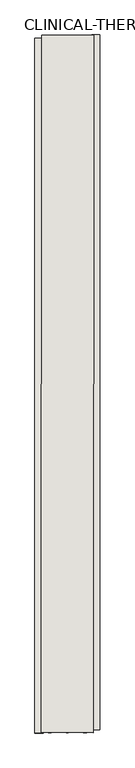
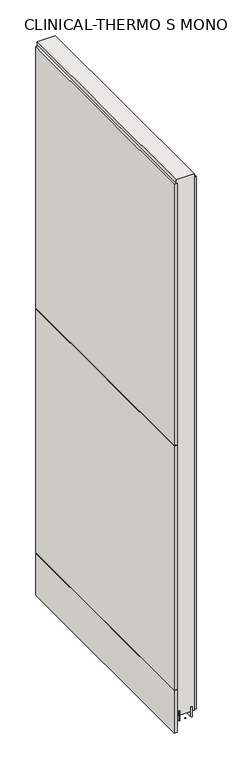
"""IFC4 building model written with IfcOpenShell, lengths in millimetres: wall geometry, CLINICAL-THERMO S MONO 340027 : CLINICAL-THERMO S MONO 340027."""

from ifc_helpers import new_model, si_unit, frame, origin, place, context, project, spatial, polyline, outline, extrude, source, transform, mapped, element, save


def clinical_thermo_s_mono_340027_clinical_thermo_s_mono_340027_10b18508(model_context):
    return source(origin(), model_context, "Body", "SweptSolid", [
        extrude(outline(polyline([(86789.7672634, -40030.5475994), (86789.7672634, -40028.0075994), (86792.3072634, -40028.0075994), (86792.3072634, -40030.5475994), (86789.7672634, -40030.5475994)])), frame((0.0, 0.0, 4419.6), z_axis=(0.0, 0.0, 1.0), x_axis=(1.0, 0.0, 0.0)), (0.0, 0.0, 1.0), 2.54),
        extrude(outline(polyline([(86842.023293, -38940.6332819), (86842.023293, -40026.1001737), (86829.323293, -40026.1001737), (86829.323293, -38940.6332819), (86842.023293, -38940.6332819)])), frame((0.0, 0.0, 4445.0), z_axis=(0.0, 0.0, 1.0), x_axis=(1.0, 0.0, 0.0)), (0.0, 0.0, 1.0), 2545.0498756),
        extrude(outline(polyline([(86740.4294906, -40030.9990971), (86740.4294906, -38945.5322053), (86753.1294906, -38945.5322053), (86753.1294906, -40030.9990971), (86740.4294906, -40030.9990971)])), frame((0.0, 0.0, 4573.9999706), z_axis=(0.0, 0.0, 1.0), x_axis=(1.0, 0.0, 0.0)), (0.0, 0.0, 1.0), 1164.400008),
        extrude(outline(polyline([(86740.4294906, -40030.9990971), (86740.4294906, -38945.5322053), (86753.1294906, -38945.5322053), (86753.1294906, -40030.9990971), (86740.4294906, -40030.9990971)])), frame((0.0, 0.0, 5742.4000722), z_axis=(0.0, 0.0, 1.0), x_axis=(1.0, 0.0, 0.0)), (0.0, 0.0, 1.0), 1247.649905),
        extrude(outline(polyline([(86740.4294906, -40030.9990971), (86740.4294906, -38945.5322053), (86753.1294906, -38945.5322053), (86753.1294906, -40030.9990971), (86740.4294906, -40030.9990971)])), frame((0.0, 0.0, 4368.1000014), z_axis=(0.0, 0.0, 1.0), x_axis=(1.0, 0.0, 0.0)), (0.0, 0.0, 1.0), 201.9000026),
        extrude(outline(polyline([(86816.1334032, -40030.5519174), (86816.4868696, -38941.0959556), (86821.5718226, -38941.0959556), (86821.2121586, -40030.5519174), (86816.1334032, -40030.5519174)])), frame((0.0, 0.0, 4418.6602), z_axis=(0.0, 0.0, 1.0), x_axis=(1.0, 0.0, 0.0)), (0.0, 0.0, 1.0), 47.625),
        extrude(outline(polyline([(86816.1334032, -40030.5519174), (86816.4868696, -38941.0959556), (86821.5718226, -38941.0959556), (86821.2121586, -40030.5519174), (86816.1334032, -40030.5519174)])), frame((0.0, 0.0, 4418.6602), z_axis=(0.0, 0.0, 1.0), x_axis=(1.0, 0.0, 0.0)), (0.0, 0.0, 1.0), 47.625),
        extrude(outline(polyline([(86766.3503938, -38941.0711398), (86765.965914, -40030.5519174), (86760.8871586, -40030.527127), (86761.2468226, -38941.0711398), (86766.3503938, -38941.0711398)])), frame((0.0, 0.0, 4418.6602), z_axis=(0.0, 0.0, 1.0), x_axis=(1.0, 0.0, 0.0)), (0.0, 0.0, 1.0), 47.625),
        extrude(outline(polyline([(86766.3503938, -38941.0711398), (86765.965914, -40030.5519174), (86760.8871586, -40030.527127), (86761.2468226, -38941.0711398), (86766.3503938, -38941.0711398)])), frame((0.0, 0.0, 4418.6602), z_axis=(0.0, 0.0, 1.0), x_axis=(1.0, 0.0, 0.0)), (0.0, 0.0, 1.0), 47.625),
        extrude(outline(polyline([(86831.6797272, -40030.5519174), (86750.4009718, -40030.527127), (86750.779254, -38941.0711398), (86832.0580094, -38941.0959556), (86831.6797272, -40030.5519174)])), frame((0.0, 0.0, 4445.0), z_axis=(0.0, 0.0, 1.0), x_axis=(1.0, 0.0, 0.0)), (0.0, 0.0, 1.0), 2562.4536762),
    ])


if __name__ == "__main__":
    model = new_model("IFC4")
    model_context = context("Model", 3, world=origin())
    ifc_project = project(units=[si_unit("LENGTHUNIT", "METRE", prefix="MILLI")], contexts=[model_context])
    site = spatial("IfcSite", under=ifc_project)
    building = spatial("IfcBuilding", under=site)
    placement = place(None, origin())
    clinical_thermo_s_mono_340027_clinical_thermo_s_mono_340027_shape = clinical_thermo_s_mono_340027_clinical_thermo_s_mono_340027_10b18508(model_context)
    element("IfcWall", 1, ObjectType="CLINICAL-THERMO S MONO 340027 : CLINICAL-THERMO S MONO 340027", at=placement, inside=building, context=model_context, shape_type="MappedRepresentation", body=[
        mapped(clinical_thermo_s_mono_340027_clinical_thermo_s_mono_340027_shape, transform((0.0, 0.0, 0.0), x_axis=(1.0, 0.0, 0.0), y_axis=(0.0, 1.0, 0.0), z_axis=(0.0, 0.0, 1.0))),
    ])
    save(model, "model.ifc")
